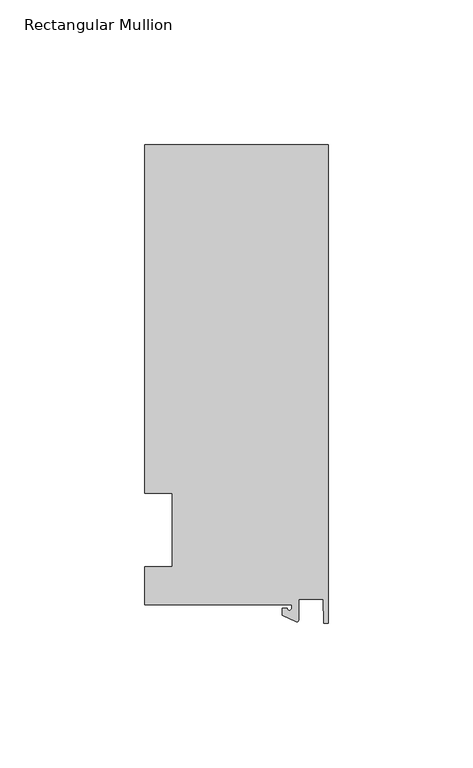
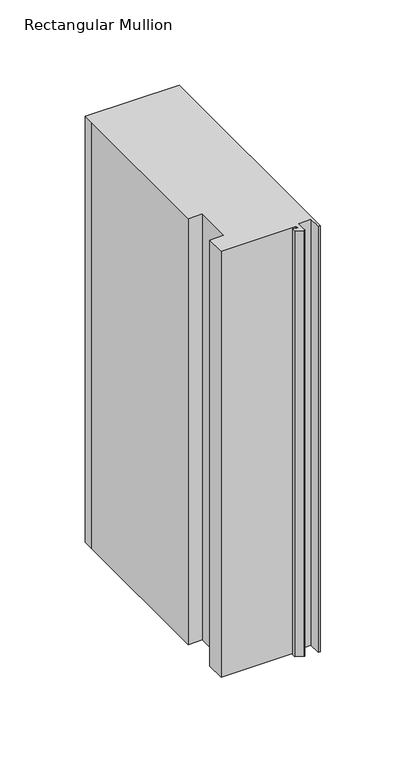
"""IFC4 building model written with IfcOpenShell, lengths in millimetres: member geometry, Rectangular Mullion."""

from ifc_helpers import new_model, si_unit, point, frame, frame_2d, origin, place, context, project, spatial, polyline, circle_curve, trimmed, segment, composite_curve, outline, extrude, source, transform, mapped, element, save


def rectangular_mullion_4890d437(model_context):
    return source(origin(), model_context, "Body", "SweptSolid", [
        extrude(outline(composite_curve([segment(polyline([(-12.6173814, -25.796875), (-63.5, -25.796875), (-63.5, -12.7), (-53.975, -12.7), (-53.975, 12.7), (-63.5, 12.7), (-63.5, 125.8114907), (-63.5, 133.34365), (0.0, 133.34365), (0.0, -32.288874), (-1.5658966, -32.288874), (-1.7144124, -23.9227662), (-10.2297814, -23.9227662), (-10.2297814, -31.2414327)]), True, "CONTINUOUS"), segment(trimmed(circle_curve(frame_2d((-10.7377814, -31.2414327)), 0.508), [point((-10.2297814, -31.2414327))], [point((-10.9524715, -31.7018371))], False, "CARTESIAN"), True, "CONTINUOUS"), segment(polyline([(-10.9524715, -31.7018371), (-15.7923814, -29.44495), (-15.7923814, -27.0827507), (-14.2048814, -27.0827507)]), True, "CONTINUOUS"), segment(trimmed(circle_curve(frame_2d((-13.4111314, -27.0827507)), 0.79375), [point((-14.2048814, -27.0827507))], [point((-12.6173814, -27.0827507))], True, "CARTESIAN"), True, "CONTINUOUS"), segment(polyline([(-12.6173814, -27.0827507), (-12.6173814, -25.796875)]), True, "CONTINUOUS")], self_intersect=False)), frame((0.0, 0.0, -304.8), z_axis=(0.0, 0.0, 1.0), x_axis=(1.0, 0.0, 0.0)), (0.0, 0.0, 1.0), 304.8),
    ])


if __name__ == "__main__":
    model = new_model("IFC4")
    model_context = context("Model", 3, world=origin())
    ifc_project = project(units=[si_unit("LENGTHUNIT", "METRE", prefix="MILLI")], contexts=[model_context])
    site = spatial("IfcSite", under=ifc_project)
    building = spatial("IfcBuilding", under=site)
    placement = place(None, origin())
    rectangular_mullion_shape = rectangular_mullion_4890d437(model_context)
    element("IfcMember", 1, ObjectType="Rectangular Mullion", at=placement, inside=building, context=model_context, shape_type="MappedRepresentation", body=[
        mapped(rectangular_mullion_shape, transform((0.0, 0.0, 0.0), x_axis=(1.0, 0.0, 0.0), y_axis=(0.0, 1.0, 0.0), z_axis=(0.0, 0.0, 1.0))),
    ])
    save(model, "model.ifc")
